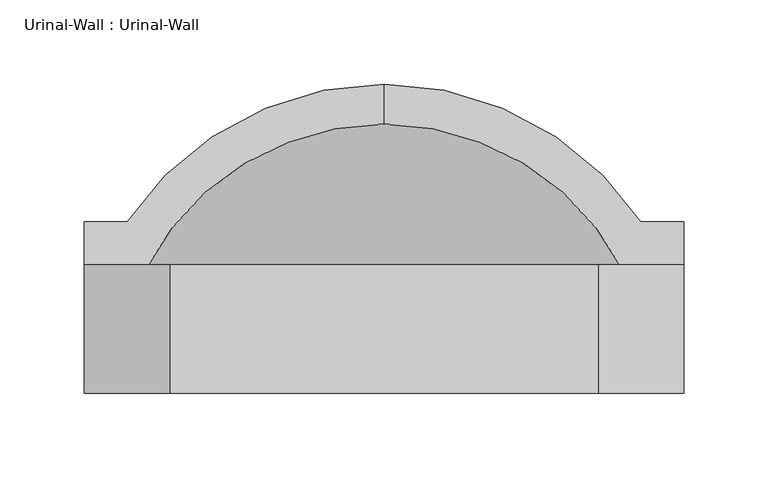
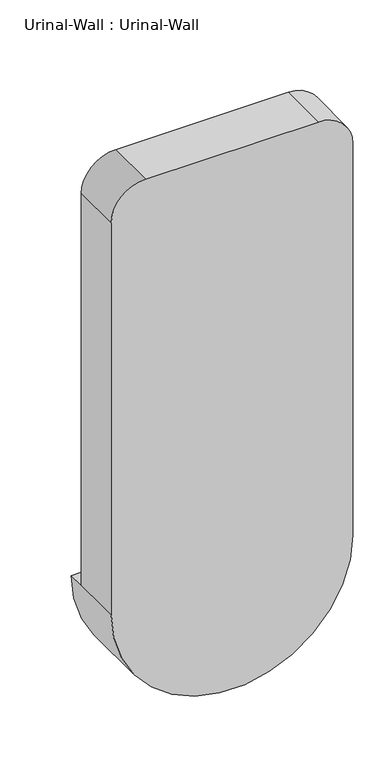
"""IFC4 building model written with IfcOpenShell, lengths in millimetres: flow terminal geometry, Urinal-Wall : Urinal-Wall."""

from ifc_helpers import new_model, si_unit, point, frame, origin, place, context, project, spatial, polyline, circle_curve, ellipse_curve, trimmed, source, transform, mapped, element, save
from ifc_brep_helpers import plane_surface, cylinder_surface, revolved_surface, advanced_brep


def urinal_wall_urinal_wall_349d4284(model_context):
    return source(origin(), model_context, "Body", "AdvancedBrep", [
        advanced_brep(
        [(-109.0745999, 245.0745048, 609.6), (-109.0745999, 221.3572043, 609.6), (43.3254001, 108.7831063, 609.6), (43.3254001, 138.1125, 609.6), (68.7254001, 138.1125, 609.6), (68.7254001, 163.5125, 609.6), (43.3254001, 163.5125, 609.6), (-261.4745999, 163.5125, 609.6), (-286.8745999, 163.5125, 609.6), (-286.8745999, 138.1125, 609.6), (-261.4745999, 138.1125, 609.6), (-261.4745999, 108.7831063, 609.6), (-261.4745999, 74.6125, 609.6), (43.3254001, 74.6125, 609.6), (-286.8745999, 61.9125, 609.6), (68.7254001, 61.9125, 609.6), (68.7254001, 61.9125, 1219.2), (17.9254001, 61.9125, 1270.0), (-236.0745999, 61.9125, 1270.0), (-286.8745999, 61.9125, 1219.2), (43.3254001, 138.1125, 1168.4), (-7.4745999, 138.1125, 1219.2), (-210.6745999, 138.1125, 1219.2), (-261.4745999, 138.1125, 1168.4), (-286.8745999, 138.1125, 1219.2), (-236.0745999, 138.1125, 1270.0), (17.9254001, 138.1125, 1270.0), (68.7254001, 138.1125, 1219.2), (43.3254001, 74.6125, 1168.4), (-7.4745999, 74.6125, 1219.2), (-210.6745999, 74.6125, 1219.2), (-261.4745999, 74.6125, 1168.4)],
        [
            (0, 1),
            (1, 2, circle_curve(frame((-109.0745999, 61.9125, 609.6), z_axis=(0.0, 0.0, -1.0), x_axis=(1.0, 0.0, 0.0)), 159.4447043)),
            (2, 3),
            (3, 4),
            (4, 5),
            (5, 6),
            (6, 0, circle_curve(frame((-109.0745999, 61.9125, 609.6), z_axis=(0.0, 0.0, 1.0), x_axis=(1.0, 0.0, 0.0)), 183.1620048)),
            (0, 7, circle_curve(frame((-109.0745999, 61.9125, 609.6), z_axis=(0.0, 0.0, 1.0), x_axis=(-1.0, 0.0, 0.0)), 183.1620048)),
            (7, 8),
            (8, 9),
            (9, 10),
            (10, 11),
            (11, 1, circle_curve(frame((-109.0745999, 61.9125, 609.6), z_axis=(0.0, 0.0, -1.0), x_axis=(-1.0, 0.0, 0.0)), 159.4447043)),
            (11, 2, circle_curve(frame((-109.0745999, 108.7831063, 609.6), z_axis=(0.0, -1.0, 0.0), x_axis=(1.0, 0.0, 0.0)), 152.4)),
            (11, 12),
            (12, 13, circle_curve(frame((-109.0745999, 74.6125, 609.6), z_axis=(0.0, -1.0, 0.0), x_axis=(1.0, 0.0, 0.0)), 152.4)),
            (13, 2),
            (14, 15, circle_curve(frame((-109.0745999, 61.9125, 609.6), z_axis=(0.0, -1.0, 0.0), x_axis=(1.0, 0.0, 0.0)), 177.8)),
            (15, 16),
            (16, 17, circle_curve(frame((17.9254001, 61.9125, 1219.2), z_axis=(0.0, -1.0, 0.0), x_axis=(-1.0, 0.0, 0.0)), 50.8)),
            (17, 18),
            (18, 19, circle_curve(frame((-236.0745999, 61.9125, 1219.2), z_axis=(0.0, -1.0, 0.0), x_axis=(-1.0, 0.0, 0.0)), 50.8)),
            (19, 14),
            (14, 9),
            (8, 5, circle_curve(frame((-109.0745999, 163.5125, 609.6), z_axis=(0.0, -1.0, 0.0), x_axis=(1.0, 0.0, 0.0)), 177.8)),
            (4, 15),
            (7, 6, circle_curve(frame((-109.0745999, 163.5125, 609.6), z_axis=(0.0, -1.0, 0.0), x_axis=(1.0, 0.0, 0.0)), 152.4)),
            (3, 20),
            (20, 21, circle_curve(frame((-7.4745999, 138.1125, 1168.4), z_axis=(0.0, -1.0, 0.0), x_axis=(-1.0, 0.0, 0.0)), 50.8)),
            (21, 22),
            (22, 23, circle_curve(frame((-210.6745999, 138.1125, 1168.4), z_axis=(0.0, -1.0, 0.0), x_axis=(-1.0, 0.0, 0.0)), 50.8)),
            (23, 10),
            (9, 24),
            (24, 25, circle_curve(frame((-236.0745999, 138.1125, 1219.2), z_axis=(0.0, 1.0, 0.0), x_axis=(-1.0, 0.0, 0.0)), 50.8)),
            (25, 26),
            (26, 27, circle_curve(frame((17.9254001, 138.1125, 1219.2), z_axis=(0.0, 1.0, 0.0), x_axis=(-1.0, 0.0, 0.0)), 50.8)),
            (27, 4),
            (13, 28),
            (28, 20),
            (28, 29, circle_curve(frame((-7.4745999, 74.6125, 1168.4), z_axis=(0.0, -1.0, 0.0), x_axis=(-1.0, 0.0, 0.0)), 50.8)),
            (29, 21),
            (29, 30),
            (30, 22),
            (30, 31, circle_curve(frame((-210.6745999, 74.6125, 1168.4), z_axis=(0.0, -1.0, 0.0), x_axis=(-1.0, 0.0, 0.0)), 50.8)),
            (31, 23),
            (31, 12),
            (19, 24),
            (18, 25),
            (17, 26),
            (16, 27),
        ],
        [
            plane_surface(frame((-109.0745999, 351.1229173, 609.6), z_axis=(0.0, 0.0, 1.0), x_axis=(1.0, 0.0, 0.0))),
            plane_surface(frame((-109.0745999, 351.1229173, 609.6), z_axis=(0.0, 0.0, 1.0), x_axis=(-1.0, 0.0, 0.0))),
            revolved_surface(trimmed(ellipse_curve(frame((-109.0745999, 61.9125, 609.6), z_axis=(0.0, 0.0, -1.0), x_axis=(1.0, 0.0, 0.0)), 159.4447043, 159.4447043), [point((-109.0745999, 221.3572043, 609.6))], [point((43.3254001, 108.7831063, 609.6))], True, "CARTESIAN"), (-109.0745999, 351.1229173, 609.6), (0.0, 1.0, 0.0)),
            revolved_surface(polyline([(43.32540010000001, 108.78310629999999, 609.6), (43.32540010000001, 74.61250000000001, 609.6)]), (-109.0745999, 351.1229173, 609.6), (0.0, 1.0, 0.0)),
            plane_surface(frame((-109.0745999, 61.9125, 609.6), z_axis=(0.0, -1.0, 0.0), x_axis=(1.0, 0.0, 0.0))),
            cylinder_surface(frame((-109.0745999, 351.1229173, 609.6), z_axis=(0.0, 1.0, 0.0), x_axis=(1.0, 0.0, 0.0)), 177.8),
            plane_surface(frame((-109.0745999, 163.5125, 609.6), z_axis=(0.0, 1.0, 0.0), x_axis=(1.0, 0.0, 0.0))),
            revolved_surface(trimmed(ellipse_curve(frame((-109.0745999, 61.9125, 609.6), z_axis=(0.0, 0.0, 1.0), x_axis=(1.0, 0.0, 0.0)), 183.1620048, 183.1620048), [point((43.3254001, 163.5125, 609.6))], [point((-109.0745999, 245.0745048, 609.6))], True, "CARTESIAN"), (-109.0745999, 351.1229173, 609.6), (0.0, 1.0, 0.0)),
            plane_surface(frame((43.3254001, 138.1125, 609.6), z_axis=(0.0, 1.0, 0.0), x_axis=(0.0, 0.0, 1.0))),
            plane_surface(frame((43.3254001, 138.1125, 609.6), z_axis=(-1.0, 0.0, 0.0), x_axis=(0.0, -1.0, 0.0))),
            revolved_surface(polyline([(-58.2745999, 74.6125, 1168.4), (-58.2745999, 138.1125, 1168.4)]), (-7.4745999, 61.9125, 1168.4), (0.0, -1.0, 0.0)),
            plane_surface(frame((-7.4745999, 138.1125, 1219.2), z_axis=(0.0, 0.0, -1.0), x_axis=(0.0, -1.0, 0.0))),
            revolved_surface(polyline([(-261.4745999, 74.6125, 1168.4), (-261.4745999, 138.1125, 1168.4)]), (-210.6745999, 61.9125, 1168.4), (0.0, -1.0, 0.0)),
            plane_surface(frame((-261.4745999, 138.1125, 1168.4), z_axis=(1.0, 0.0, 0.0), x_axis=(0.0, -1.0, 0.0))),
            plane_surface(frame((-286.8745999, 138.1125, 609.6), z_axis=(-1.0, 0.0, 0.0), x_axis=(0.0, -1.0, 0.0))),
            cylinder_surface(frame((-236.0745999, 61.9125, 1219.2), z_axis=(0.0, 1.0, 0.0), x_axis=(-1.0, 0.0, 0.0)), 50.8),
            plane_surface(frame((-236.0745999, 138.1125, 1270.0), z_axis=(0.0, 0.0, 1.0), x_axis=(0.0, -1.0, 0.0))),
            cylinder_surface(frame((17.9254001, 61.9125, 1219.2), z_axis=(0.0, 1.0, 0.0), x_axis=(-1.0, 0.0, 0.0)), 50.8),
            plane_surface(frame((68.7254001, 138.1125, 1219.2), z_axis=(1.0, 0.0, 0.0), x_axis=(0.0, -1.0, 0.0))),
            plane_surface(frame((43.3254001, 74.6125, 609.6), z_axis=(0.0, 1.0, 0.0), x_axis=(0.0, 0.0, -1.0))),
        ],
        [
            (0, [[1, 2, 3, 4, 5, 6, 7]]),
            (1, [[-1, 8, 9, 10, 11, 12, 13]]),
            (2, [[-2, -13, 14]]),
            (3, [[-14, 15, 16, 17]]),
            (4, [[18, 19, 20, 21, 22, 23]]),
            (5, [[-18, 24, -10, 25, -5, 26]]),
            (6, [[-6, -25, -9, 27]]),
            (7, [[-7, -27, -8]]),
            (8, [[28, 29, 30, 31, 32, -11, 33, 34, 35, 36, 37, -4]]),
            (9, [[-28, -3, -17, 38, 39]]),
            (10, [[-29, -39, 40, 41]]),
            (11, [[-30, -41, 42, 43]]),
            (12, [[-31, -43, 44, 45]]),
            (13, [[-32, -45, 46, -15, -12]]),
            (14, [[-33, -24, -23, 47]]),
            (15, [[-34, -47, -22, 48]]),
            (16, [[-35, -48, -21, 49]]),
            (17, [[-36, -49, -20, 50]]),
            (18, [[-37, -50, -19, -26]]),
            (19, [[-16, -46, -44, -42, -40, -38]]),
        ],
    ),
    ])


if __name__ == "__main__":
    model = new_model("IFC4")
    model_context = context("Model", 3, world=origin())
    ifc_project = project(units=[si_unit("LENGTHUNIT", "METRE", prefix="MILLI")], contexts=[model_context])
    site = spatial("IfcSite", under=ifc_project)
    building = spatial("IfcBuilding", under=site)
    placement = place(None, origin())
    urinal_wall_urinal_wall_shape = urinal_wall_urinal_wall_349d4284(model_context)
    element("IfcFlowTerminal", 1, ObjectType="Urinal-Wall : Urinal-Wall", at=placement, inside=building, context=model_context, shape_type="MappedRepresentation", body=[
        mapped(urinal_wall_urinal_wall_shape, transform((0.0, 0.0, 0.0), x_axis=(1.0, 0.0, 0.0), y_axis=(0.0, 1.0, 0.0), z_axis=(0.0, 0.0, 1.0))),
    ])
    save(model, "model.ifc")
